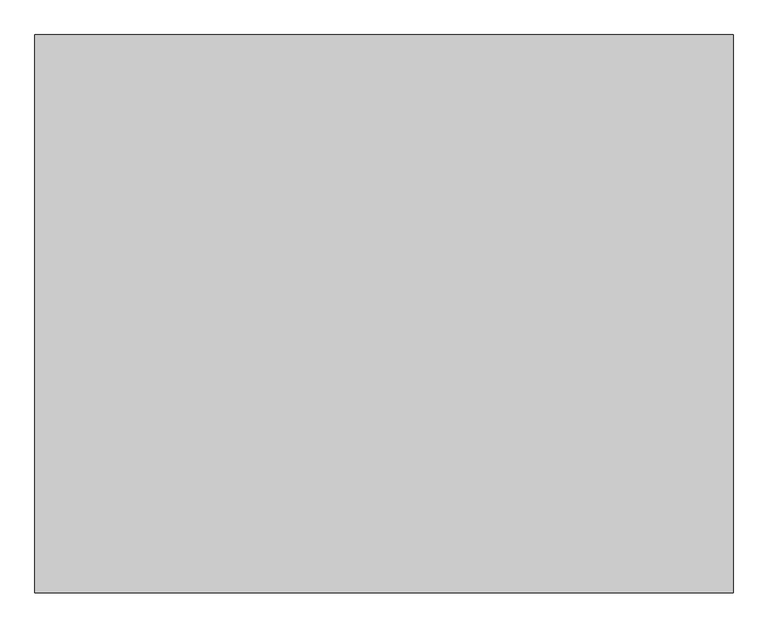
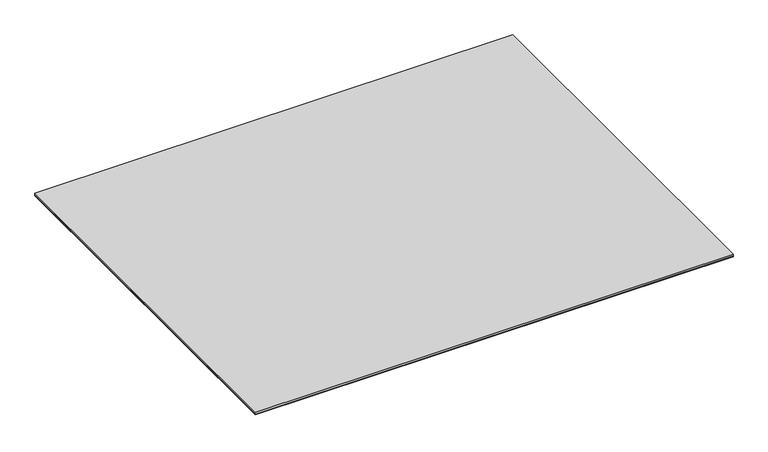
"""IFC4 building model written with IfcOpenShell, lengths in millimetres: proxy geometry."""

from ifc_helpers import new_model, si_unit, point, frame, frame_2d, origin, place, context, project, spatial, polyline, circle_curve, trimmed, segment, composite_curve, outline, extrude, source, transform, mapped, element, save


def specialty_equipment_b3c3dba6(model_context):
    return source(origin(), model_context, "Body", "SweptSolid", [
        extrude(outline(composite_curve([segment(polyline([(388.9375, 5.07229), (387.3790283, 3.5138184), (380.2253, 3.5138184)]), True, "CONTINUOUS"), segment(trimmed(circle_curve(frame_2d((380.2253, 2.7010184)), 0.8128), [point((380.2253, 3.5138184))], [point((379.4125, 2.7010184))], True, "CARTESIAN"), True, "CONTINUOUS"), segment(polyline([(379.4125, 2.7010184), (379.4125, 0.0), (357.1875, 0.0)]), True, "CONTINUOUS"), segment(trimmed(circle_curve(frame_2d((360.7013184, 0.0)), 3.5138184), [point((357.1875, 0.0))], [point((360.7013184, 3.5138184))], False, "CARTESIAN"), True, "CONTINUOUS"), segment(polyline([(360.7013184, 3.5138184), (373.3796736, 3.5138184)]), True, "CONTINUOUS"), segment(trimmed(circle_curve(frame_2d((373.3796736, 4.3520184)), 0.8382), [point((373.3796736, 3.5138184))], [point((374.2178736, 4.3520184))], True, "CARTESIAN"), True, "CONTINUOUS"), segment(polyline([(374.2178736, 4.3520184), (374.2178736, 6.0198)]), True, "CONTINUOUS"), segment(trimmed(circle_curve(frame_2d((375.0560736, 6.0198)), 0.8382), [point((374.2178736, 6.0198))], [point((375.0560736, 6.858))], False, "CARTESIAN"), True, "CONTINUOUS"), segment(polyline([(375.0560736, 6.858), (388.9375, 6.858), (388.9375, 5.07229)]), True, "CONTINUOUS")], self_intersect=False)), frame((-711.2, 0.0, 0.0), z_axis=(1.0, 0.0, 0.0), x_axis=(0.0, 1.0, 0.0)), (0.0, 0.0, 1.0), 1422.4),
        extrude(outline(composite_curve([segment(polyline([(388.9375, 6.858), (465.1375, 6.858)]), True, "CONTINUOUS"), segment(trimmed(circle_curve(frame_2d((461.7085, 6.858)), 3.429), [point((465.1375, 6.858))], [point((461.7085, 3.429))], False, "CARTESIAN"), True, "CONTINUOUS"), segment(polyline([(461.7085, 3.429), (396.1003, 3.429)]), True, "CONTINUOUS"), segment(trimmed(circle_curve(frame_2d((396.1003, 2.6162)), 0.8128), [point((396.1003, 3.429))], [point((395.2875, 2.6162))], True, "CARTESIAN"), True, "CONTINUOUS"), segment(polyline([(395.2875, 2.6162), (395.2875, 0.0), (379.4125, 0.0), (379.4125, 0.8639404), (381.9775596, 3.429), (388.9375, 3.429), (388.9375, 6.858)]), True, "CONTINUOUS")], self_intersect=False)), frame((-711.2, 0.0, 0.0), z_axis=(1.0, 0.0, 0.0), x_axis=(0.0, 1.0, 0.0)), (0.0, 0.0, 1.0), 1422.4),
        extrude(outline(composite_curve([segment(polyline([(-423.8625, 5.07229), (-425.4209717, 3.5138184), (-432.5747, 3.5138184)]), True, "CONTINUOUS"), segment(trimmed(circle_curve(frame_2d((-432.5747, 2.7010184)), 0.8128), [point((-432.5747, 3.5138184))], [point((-433.3875, 2.7010184))], True, "CARTESIAN"), True, "CONTINUOUS"), segment(polyline([(-433.3875, 2.7010184), (-433.3875, 0.0), (-455.6125, 0.0)]), True, "CONTINUOUS"), segment(trimmed(circle_curve(frame_2d((-452.0986816, 0.0)), 3.5138184), [point((-455.6125, 0.0))], [point((-452.0986816, 3.5138184))], False, "CARTESIAN"), True, "CONTINUOUS"), segment(polyline([(-452.0986816, 3.5138184), (-439.4203264, 3.5138184)]), True, "CONTINUOUS"), segment(trimmed(circle_curve(frame_2d((-439.4203264, 4.3520184)), 0.8382), [point((-439.4203264, 3.5138184))], [point((-438.5821264, 4.3520184))], True, "CARTESIAN"), True, "CONTINUOUS"), segment(polyline([(-438.5821264, 4.3520184), (-438.5821264, 6.0198)]), True, "CONTINUOUS"), segment(trimmed(circle_curve(frame_2d((-437.7439264, 6.0198)), 0.8382), [point((-438.5821264, 6.0198))], [point((-437.7439264, 6.858))], False, "CARTESIAN"), True, "CONTINUOUS"), segment(polyline([(-437.7439264, 6.858), (-423.8625, 6.858), (-423.8625, 5.07229)]), True, "CONTINUOUS")], self_intersect=False)), frame((-711.2, 0.0, 0.0), z_axis=(1.0, 0.0, 0.0), x_axis=(0.0, 1.0, 0.0)), (0.0, 0.0, 1.0), 1422.4),
        extrude(outline(composite_curve([segment(polyline([(-423.8625, 6.858), (-347.6625, 6.858)]), True, "CONTINUOUS"), segment(trimmed(circle_curve(frame_2d((-351.0915, 6.858)), 3.429), [point((-347.6625, 6.858))], [point((-351.0915, 3.429))], False, "CARTESIAN"), True, "CONTINUOUS"), segment(polyline([(-351.0915, 3.429), (-416.6997, 3.429)]), True, "CONTINUOUS"), segment(trimmed(circle_curve(frame_2d((-416.6997, 2.6162)), 0.8128), [point((-416.6997, 3.429))], [point((-417.5125, 2.6162))], True, "CARTESIAN"), True, "CONTINUOUS"), segment(polyline([(-417.5125, 2.6162), (-417.5125, 0.0), (-433.3875, 0.0), (-433.3875, 0.8639404), (-430.8224404, 3.429), (-423.8625, 3.429), (-423.8625, 6.858)]), True, "CONTINUOUS")], self_intersect=False)), frame((-711.2, 0.0, 0.0), z_axis=(1.0, 0.0, 0.0), x_axis=(0.0, 1.0, 0.0)), (0.0, 0.0, 1.0), 1422.4),
        extrude(outline(polyline([(762.0, -609.6), (-762.0, -609.6), (-762.0, 609.6), (762.0, 609.6), (762.0, -609.6)])), frame((0.0, 0.0, 8.8304688), z_axis=(0.0, 0.0, 1.0), x_axis=(1.0, 0.0, 0.0)), (0.0, 0.0, 1.0), 6.35),
        extrude(outline(polyline([(762.0, 609.6), (762.0, -609.6), (-762.0, -609.6), (-762.0, 609.6), (762.0, 609.6)])), frame((0.0, 0.0, 6.8460937), z_axis=(0.0, 0.0, 1.0), x_axis=(1.0, 0.0, 0.0)), (0.0, 0.0, 1.0), 1.984375),
    ])


if __name__ == "__main__":
    model = new_model("IFC4")
    model_context = context("Model", 3, world=origin())
    ifc_project = project(units=[si_unit("LENGTHUNIT", "METRE", prefix="MILLI")], contexts=[model_context])
    site = spatial("IfcSite", under=ifc_project)
    building = spatial("IfcBuilding", under=site)
    placement = place(None, origin())
    specialty_equipment_shape = specialty_equipment_b3c3dba6(model_context)
    element("IfcBuildingElementProxy", 1, Name="Specialty Equipment", at=placement, inside=building, context=model_context, shape_type="MappedRepresentation", body=[
        mapped(specialty_equipment_shape, transform((0.0, 0.0, 0.0), x_axis=(1.0, 0.0, 0.0), y_axis=(0.0, 1.0, 0.0), z_axis=(0.0, 0.0, 1.0))),
    ])
    save(model, "model.ifc")
